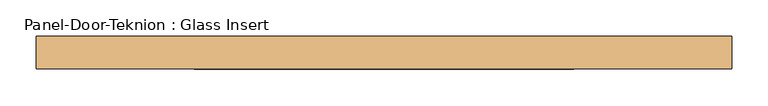
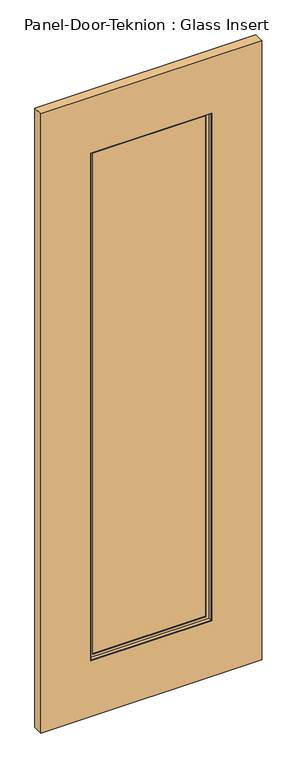
"""IFC4 building model written with IfcOpenShell, lengths in millimetres: door geometry, Panel-Door-Teknion : Glass Insert."""

from ifc_helpers import new_model, si_unit, frame, origin, place, context, project, spatial, polyline, outline, extrude, faceted_brep, source, transform, mapped, element, save


def panel_door_teknion_glass_insert_61912b7f(model_context):
    return source(origin(), model_context, "Body", "SolidModel", [
        extrude(outline(polyline([(260.3601562, -3.175), (-260.3601562, -3.175), (-260.3601562, 3.175), (260.3601562, 3.175), (260.3601562, -3.175)])), frame((0.0, 0.0, 266.7), z_axis=(0.0, 0.0, 1.0), x_axis=(1.0, 0.0, 0.0)), (0.0, 0.0, 1.0), 2315.2025997),
        faceted_brep([(-244.4695772, 3.797467, 2566.0120207), (-244.4695772, 3.797467, 282.590579), (-244.4695772, 6.9755828, 282.590579), (-244.4695772, 6.9755828, 2566.0120207), (244.4695772, 3.797467, 282.590579), (244.4695772, 6.9755828, 282.590579), (257.1820404, 6.9755828, 269.8781158), (-257.1820404, 6.9755828, 269.8781158), (-257.1820404, 6.9755828, 2578.7244839), (257.1820404, 6.9755828, 2578.7244839), (244.4695772, 6.9755828, 2566.0120207), (244.4695772, 3.797467, 2566.0120207), (-260.3601562, 3.797467, 266.7), (260.3601562, 3.797467, 266.7), (260.3601562, 3.797467, 2581.9025997), (-260.3601562, 3.797467, 2581.9025997), (-260.3601562, 19.688046, 2581.9025997), (-260.3601562, 19.688046, 266.7), (260.3601562, 19.688046, 266.7), (260.3601562, 19.688046, 2581.9025997), (-257.1820404, 19.688046, 269.8781158), (257.1820404, 19.688046, 269.8781158), (257.1820404, 19.688046, 2578.7244839), (-257.1820404, 19.688046, 2578.7244839)], [[[0, 1, 2, 3]], [[1, 4, 5, 2]], [[6, 7, 8, 9], [2, 5, 10, 3]], [[4, 11, 10, 5]], [[12, 13, 14, 15], [4, 1, 0, 11]], [[16, 17, 12, 15]], [[17, 18, 13, 12]], [[18, 19, 14, 13]], [[18, 17, 16, 19], [20, 21, 22, 23]], [[8, 7, 20, 23]], [[7, 6, 21, 20]], [[6, 9, 22, 21]], [[11, 0, 3, 10]], [[19, 16, 15, 14]], [[9, 8, 23, 22]]]),
        faceted_brep([(-257.1820404, -19.688046, 2578.7244839), (-257.1820404, -19.688046, 269.8781158), (-257.1820404, -6.9755828, 269.8781158), (-257.1820404, -6.9755828, 2578.7244839), (257.1820404, -19.688046, 269.8781158), (257.1820404, -6.9755828, 269.8781158), (257.1820404, -6.9755828, 2578.7244839), (244.4695772, -6.9755828, 282.590579), (-244.4695772, -6.9755828, 282.590579), (-244.4695772, -6.9755828, 2566.0120207), (244.4695772, -6.9755828, 2566.0120207), (257.1820404, -19.688046, 2578.7244839), (-260.3601562, -19.688046, 266.7), (260.3601562, -19.688046, 266.7), (260.3601562, -19.688046, 2581.9025997), (-260.3601562, -19.688046, 2581.9025997), (-260.3601562, -3.797467, 2581.9025997), (-260.3601562, -3.797467, 266.7), (260.3601562, -3.797467, 266.7), (260.3601562, -3.797467, 2581.9025997), (-244.4695772, -3.797467, 282.590579), (244.4695772, -3.797467, 282.590579), (244.4695772, -3.797467, 2566.0120207), (-244.4695772, -3.797467, 2566.0120207)], [[[0, 1, 2, 3]], [[1, 4, 5, 2]], [[2, 5, 6, 3], [7, 8, 9, 10]], [[4, 11, 6, 5]], [[12, 13, 14, 15], [4, 1, 0, 11]], [[16, 17, 12, 15]], [[17, 18, 13, 12]], [[18, 19, 14, 13]], [[18, 17, 16, 19], [20, 21, 22, 23]], [[9, 8, 20, 23]], [[8, 7, 21, 20]], [[7, 10, 22, 21]], [[11, 0, 3, 6]], [[19, 16, 15, 14]], [[10, 9, 23, 22]]]),
        extrude(outline(polyline([(2835.9025997, -476.2601562), (12.7, -476.2601562), (12.7, 476.2601562), (2835.9025997, 476.2601562), (2835.9025997, -476.2601562)]), holes=[polyline([(2581.9025997, 260.3601562), (266.7, 260.3601562), (266.7, -260.3601562), (2581.9025997, -260.3601562), (2581.9025997, 260.3601562)])]), frame((0.0, -22.225, 0.0), z_axis=(0.0, 1.0, 0.0), x_axis=(0.0, 0.0, 1.0)), (0.0, 0.0, 1.0), 44.45),
    ])


if __name__ == "__main__":
    model = new_model("IFC4")
    model_context = context("Model", 3, world=origin())
    ifc_project = project(units=[si_unit("LENGTHUNIT", "METRE", prefix="MILLI")], contexts=[model_context])
    site = spatial("IfcSite", under=ifc_project)
    building = spatial("IfcBuilding", under=site)
    placement = place(None, origin())
    panel_door_teknion_glass_insert_shape = panel_door_teknion_glass_insert_61912b7f(model_context)
    element("IfcDoor", 1, ObjectType="Panel-Door-Teknion : Glass Insert", at=placement, inside=building, context=model_context, shape_type="MappedRepresentation", body=[
        mapped(panel_door_teknion_glass_insert_shape, transform((0.0, 0.0, 0.0), x_axis=(1.0, 0.0, 0.0), y_axis=(0.0, 1.0, 0.0), z_axis=(0.0, 0.0, 1.0))),
    ])
    save(model, "model.ifc")
